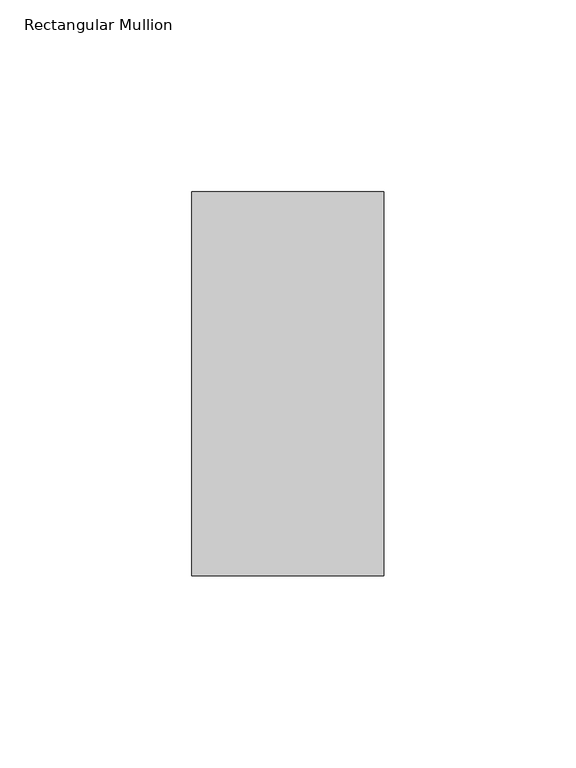
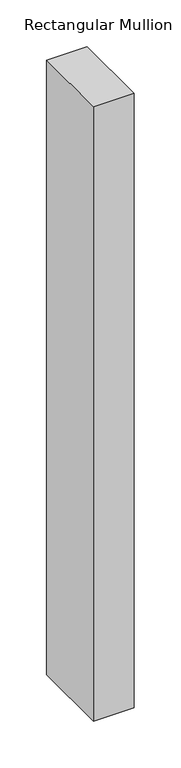
"""IFC4 building model written with IfcOpenShell, lengths in millimetres: member geometry, Rectangular Mullion."""

from ifc_helpers import new_model, si_unit, frame, origin, place, context, project, spatial, polyline, outline, extrude, source, transform, mapped, element, save


def rectangular_mullion_32e1ed15(model_context):
    return source(origin(), model_context, "Body", "SweptSolid", [
        extrude(outline(polyline([(0.0, 31.0), (0.0, -69.0), (-50.0, -69.0), (-50.0, 31.0), (0.0, 31.0)])), frame((0.0, 0.0, -800.0), z_axis=(0.0, 0.0, 1.0), x_axis=(1.0, 0.0, 0.0)), (0.0, 0.0, 1.0), 800.0),
    ])


if __name__ == "__main__":
    model = new_model("IFC4")
    model_context = context("Model", 3, world=origin())
    ifc_project = project(units=[si_unit("LENGTHUNIT", "METRE", prefix="MILLI")], contexts=[model_context])
    site = spatial("IfcSite", under=ifc_project)
    building = spatial("IfcBuilding", under=site)
    placement = place(None, origin())
    rectangular_mullion_shape = rectangular_mullion_32e1ed15(model_context)
    element("IfcMember", 1, ObjectType="Rectangular Mullion", at=placement, inside=building, context=model_context, shape_type="MappedRepresentation", body=[
        mapped(rectangular_mullion_shape, transform((0.0, 0.0, 0.0), x_axis=(1.0, 0.0, 0.0), y_axis=(0.0, 1.0, 0.0), z_axis=(0.0, 0.0, 1.0))),
    ])
    save(model, "model.ifc")
